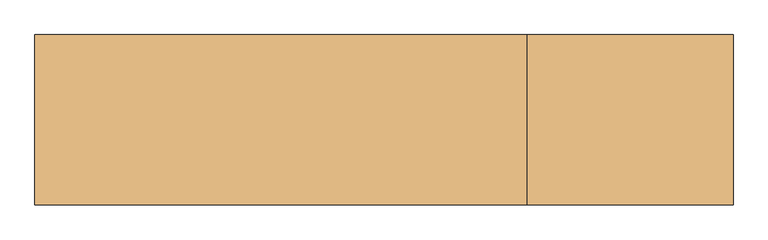
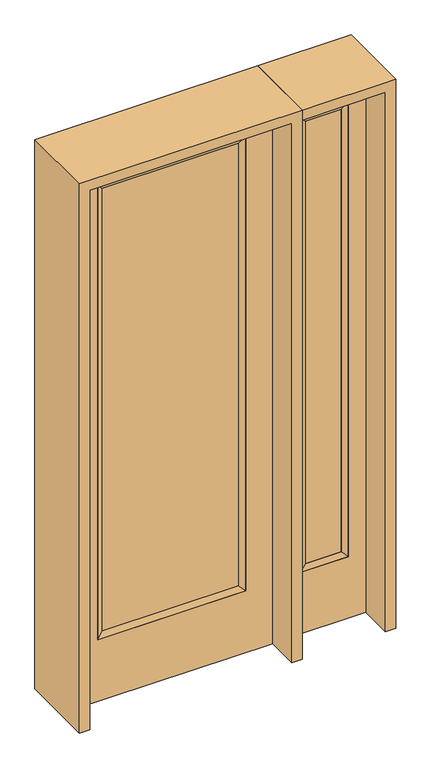
"""IFC4 building model written with IfcOpenShell, lengths in millimetres: door geometry."""

import ifcopenshell
import ifcopenshell.guid

model = None  # the IFC model being written
_history = None  # IfcOwnerHistory: only IFC2X3 demands one
_inside = {}  # id of a spatial element -> (the spatial element, [elements in it])
_under = {}  # id of a project, library or spatial element -> (it, [spatial elements below it])
_declared = {}  # id of a project -> (the project, [libraries it declares])
_typed = {}  # id of a type object -> (the type object, [elements of that type])
_made_of = {}  # id of a material, layer set ... -> (it, [elements and type objects made of it])


def new_model(schema):
    """Start an empty IFC model of exactly this schema.

    Asked for "IFC4X3", IfcOpenShell would pick the latest addendum, in which some entities
    have other attributes; the version numbers below select the first issue.
    IFC2X3 requires an IfcOwnerHistory on every rooted entity: one is made here for all.
    """
    global model, _history
    if schema == "IFC4X3":
        model = ifcopenshell.file(schema_version=(4, 3, 0, 0))
    else:
        model = ifcopenshell.file(schema=schema)
    _inside.clear()
    _under.clear()
    _declared.clear()
    _typed.clear()
    _made_of.clear()
    _history = None
    if model.schema == "IFC2X3":
        org = make("IfcOrganization", Name="unknown")
        user = make(
            "IfcPersonAndOrganization",
            ThePerson=make("IfcPerson", FamilyName="unknown"),
            TheOrganization=org,
        )
        app = make(
            "IfcApplication",
            ApplicationDeveloper=org,
            Version="unknown",
            ApplicationFullName="unknown",
            ApplicationIdentifier="unknown",
        )
        _history = make(
            "IfcOwnerHistory",
            OwningUser=user,
            OwningApplication=app,
            ChangeAction="ADDED",
            CreationDate=0,
        )
    return model


def make(cls, **values):
    """One entity of the class cls with the attributes given. An attribute that is None is left unset."""
    return model.create_entity(
        cls, **{name: value for name, value in values.items() if value is not None}
    )


def rooted(cls, **values):
    """An entity with a GlobalId (a new one), such as an element, a storey or a relation."""
    return make(cls, GlobalId=ifcopenshell.guid.new(), OwnerHistory=_history, **values)


def si_unit(unit_type, name, prefix=None):
    """IfcSIUnit, for example si_unit("LENGTHUNIT", "METRE", prefix="MILLI")."""
    return make("IfcSIUnit", UnitType=unit_type, Prefix=prefix, Name=name)


def assignment(units):
    """IfcUnitAssignment: the units of a project."""
    return None if units is None else make("IfcUnitAssignment", Units=units)


def point(xyz):
    """IfcCartesianPoint."""
    return None if xyz is None else make("IfcCartesianPoint", Coordinates=xyz)


def direction(xyz):
    """IfcDirection."""
    return None if xyz is None else make("IfcDirection", DirectionRatios=xyz)


def frame(location, z_axis=None, x_axis=None):
    """IfcAxis2Placement3D, a coordinate frame: its origin and axes. An axis left out is left unset."""
    return make(
        "IfcAxis2Placement3D",
        Location=point(location),
        Axis=direction(z_axis),
        RefDirection=direction(x_axis),
    )


def origin():
    """The frame at (0, 0, 0) with its axes left unset."""
    return frame((0.0, 0.0, 0.0))


def place(relative_to, where):
    """IfcLocalPlacement: puts the frame where relative to a parent placement (None: the world)."""
    return make(
        "IfcLocalPlacement", PlacementRelTo=relative_to, RelativePlacement=where
    )


def context(
    kind, dimensions, precision=None, world=None, true_north=None, identifier=None
):
    """IfcGeometricRepresentationContext, for example the 3D "Model" context."""
    return make(
        "IfcGeometricRepresentationContext",
        ContextIdentifier=identifier,
        ContextType=kind,
        CoordinateSpaceDimension=dimensions,
        Precision=precision,
        WorldCoordinateSystem=world,
        TrueNorth=true_north,
    )


def project(units=None, contexts=None):
    """IfcProject with its units and contexts."""
    return rooted(
        "IfcProject",
        Name="project",
        RepresentationContexts=contexts,
        UnitsInContext=assignment(units),
    )


def spatial(cls, under=None, at=None, **own):
    """A site, building, storey or space (cls), placed at a placement, below another one or the project."""
    s = rooted(cls, ObjectPlacement=at, **own)
    if under is not None:
        _under.setdefault(under.id(), (under, []))[1].append(s)
    return s


def polyline(points):
    """IfcPolyline through the points."""
    return make("IfcPolyline", Points=[point(p) for p in points])


def outline(outer, holes=None, kind="AREA"):
    """IfcArbitraryClosedProfileDef: a profile drawn as a closed curve; with holes, ...WithVoids."""
    if holes is None:
        return make("IfcArbitraryClosedProfileDef", ProfileType=kind, OuterCurve=outer)
    return make(
        "IfcArbitraryProfileDefWithVoids",
        ProfileType=kind,
        OuterCurve=outer,
        InnerCurves=holes,
    )


def extrude(swept, where, along, depth):
    """IfcExtrudedAreaSolid: the profile swept, set in the frame where, extruded along a direction by depth."""
    return make(
        "IfcExtrudedAreaSolid",
        SweptArea=swept,
        Position=where,
        ExtrudedDirection=direction(along),
        Depth=depth,
    )


def faces_of(points, faces, orient=None, outer=None):
    """IfcFace entities. A face is a list of loops; a loop is a list of indices into points, from 0.

    orient and outer hold one flag for each loop. By default every Orientation is true, the
    first loop of a face is its IfcFaceOuterBound and the others are IfcFaceBound.
    """
    made = []
    for i, loops in enumerate(faces):
        bounds = []
        for j, loop in enumerate(loops):
            is_outer = j == 0 if outer is None else outer[i][j]
            bounds.append(
                make(
                    "IfcFaceOuterBound" if is_outer else "IfcFaceBound",
                    Bound=make("IfcPolyLoop", Polygon=[points[k] for k in loop]),
                    Orientation=True if orient is None else orient[i][j],
                )
            )
        made.append(make("IfcFace", Bounds=bounds))
    return made


def faceted_brep(points, faces, orient=None, outer=None, voids=None):
    """IfcFacetedBrep: a solid bounded by flat faces; with voids (closed shells), ...WithVoids."""
    shared = [point(p) for p in points]
    hull = make("IfcClosedShell", CfsFaces=faces_of(shared, faces, orient, outer))
    if voids is None:
        return make("IfcFacetedBrep", Outer=hull)
    return make(
        "IfcFacetedBrepWithVoids",
        Outer=hull,
        Voids=[
            make(cls, CfsFaces=faces_of(shared, fs, o, b)) for cls, fs, o, b in voids
        ],
    )


def shape(context_of_items, identifier, shape_type, items):
    """IfcShapeRepresentation: the items that make up one representation, for example the "Body"."""
    return make(
        "IfcShapeRepresentation",
        ContextOfItems=context_of_items,
        RepresentationIdentifier=identifier,
        RepresentationType=shape_type,
        Items=items,
    )


def source(mapping_origin, context_of_items, identifier, shape_type, items):
    """IfcRepresentationMap: a shape defined once, which mapped items show again and again."""
    return make(
        "IfcRepresentationMap",
        MappingOrigin=mapping_origin,
        MappedRepresentation=shape(context_of_items, identifier, shape_type, items),
    )


def transform(
    local_origin,
    x_axis=None,
    y_axis=None,
    z_axis=None,
    scale=None,
    scale2=None,
    scale3=None,
    uniform=True,
):
    """IfcCartesianTransformationOperator3D, or its non-uniform kind. x_axis, y_axis, z_axis: its Axis1, 2, 3."""
    if uniform:
        return make(
            "IfcCartesianTransformationOperator3D",
            Axis1=direction(x_axis),
            Axis2=direction(y_axis),
            LocalOrigin=point(local_origin),
            Scale=scale,
            Axis3=direction(z_axis),
        )
    return make(
        "IfcCartesianTransformationOperator3DnonUniform",
        Axis1=direction(x_axis),
        Axis2=direction(y_axis),
        LocalOrigin=point(local_origin),
        Scale=scale,
        Axis3=direction(z_axis),
        Scale2=scale2,
        Scale3=scale3,
    )


def mapped(mapping_source, mapping_target):
    """IfcMappedItem: shows the shape of a source again, moved by a transform."""
    return make(
        "IfcMappedItem", MappingSource=mapping_source, MappingTarget=mapping_target
    )


def made_of(thing, what):
    """Note that an element or type object is made of a material, layer set ...; save() writes the relation."""
    if what is not None:
        _made_of.setdefault(what.id(), (what, []))[1].append(thing)
    return thing


def element(
    cls,
    number,
    at=None,
    inside=None,
    cuts=None,
    type_object=None,
    material=None,
    context=None,
    identifier="Body",
    shape_type=None,
    held_by="IfcProductDefinitionShape",
    body=None,
    shapes=None,
    **own,
):
    """One element of the class cls, such as IfcWall. Its Tag is "e" and its number.

    at: its placement. inside: the storey or other place that contains it. cuts: it is an
    opening in that element (IfcRelVoidsElement). A single representation is given by context,
    identifier, shape_type and body (its items); several are given by shapes. held_by: the class
    of the entity that holds the representations. save() writes the other relations.
    """
    e = rooted(cls, Tag="e%d" % number, ObjectPlacement=at, **own)
    if body is not None:
        shapes = [shape(context, identifier, shape_type, body)]
    if shapes is not None:
        e.Representation = make(held_by, Representations=shapes)
    if inside is not None:
        _inside.setdefault(inside.id(), (inside, []))[1].append(e)
    if cuts is not None:
        rooted(
            "IfcRelVoidsElement", RelatingBuildingElement=cuts, RelatedOpeningElement=e
        )
    if type_object is not None:
        _typed.setdefault(type_object.id(), (type_object, []))[1].append(e)
    return made_of(e, material)


def aggregate(whole, parts):
    """IfcRelAggregates: a whole, such as a stair, and the parts it consists of."""
    return rooted("IfcRelAggregates", RelatingObject=whole, RelatedObjects=parts)


def save(model, path):
    """Write the relations noted so far, then the file.

    IfcRelAggregates (storeys below a building ...), IfcRelContainedInSpatialStructure (elements
    in a storey), IfcRelDefinesByType, IfcRelAssociatesMaterial and IfcRelDeclares: one each for
    every whole, place, type object, material and project.
    """
    for whole, parts in _under.values():
        aggregate(whole, parts)
    for where, things in _inside.values():
        rooted(
            "IfcRelContainedInSpatialStructure",
            RelatedElements=things,
            RelatingStructure=where,
        )
    for kind, things in _typed.values():
        rooted("IfcRelDefinesByType", RelatedObjects=things, RelatingType=kind)
    for what, things in _made_of.values():
        rooted("IfcRelAssociatesMaterial", RelatedObjects=things, RelatingMaterial=what)
    for by, libraries in _declared.values():
        rooted("IfcRelDeclares", RelatingContext=by, RelatedDefinitions=libraries)
    model.write(path)


def door_d834abfd(model_context):
    return source(origin(), model_context, "Body", "SolidModel", [
        extrude(outline(polyline([(290.9824, -12.7039749), (-290.9824, -12.7039749), (-290.9824, 14.2875), (290.9824, 14.2875), (290.9824, -12.7039749)])), frame((0.0, 0.0, 304.8), z_axis=(0.0, 0.0, 1.0), x_axis=(1.0, 0.0, 0.0)), (0.0, 0.0, 1.0), 2000.25),
        faceted_brep([(290.9824, 14.2875, 2305.05), (316.3824, 22.225, 2330.45), (316.3824, 22.225, 279.4), (290.9824, 14.2875, 304.8), (316.3824, -22.225, 2330.45), (316.3824, -22.225, 279.4), (-316.3824, 22.225, 279.4), (-290.9824, 14.2875, 304.8), (290.9824, -12.7039749, 2305.05), (290.9824, -12.7039749, 304.8), (-290.9824, -12.7039749, 304.8), (-316.3824, -22.225, 279.4), (-316.3824, 22.225, 2330.45), (-290.9824, 14.2875, 2305.05), (-290.9824, -12.7039749, 2305.05), (-316.3824, -22.225, 2330.45)], [[[0, 1, 2, 3]], [[1, 4, 5, 2]], [[3, 2, 6, 7]], [[8, 0, 3, 9]], [[9, 3, 7, 10]], [[4, 8, 9, 5]], [[5, 9, 10, 11]], [[2, 5, 11, 6]], [[7, 6, 12, 13]], [[10, 7, 13, 14]], [[11, 10, 14, 15]], [[6, 11, 15, 12]], [[13, 12, 1, 0]], [[14, 13, 0, 8]], [[15, 14, 8, 4]], [[12, 15, 4, 1]]]),
        extrude(outline(polyline([(0.0, -431.8), (0.0, 431.8), (2438.4, 431.8), (2438.4, -431.8), (0.0, -431.8)]), holes=[polyline([(279.4, -316.3824), (2330.45, -316.3824), (2330.45, 316.3824), (279.4, 316.3824), (279.4, -316.3824)])]), frame((0.0, -22.225, 0.0), z_axis=(0.0, 1.0, 0.0), x_axis=(0.0, 0.0, 1.0)), (0.0, 0.0, 1.0), 44.45),
        faceted_brep([(552.45, 20.6375, 2330.45), (552.45, 20.6375, 279.4), (552.45, -20.6375, 279.4), (552.45, -20.6375, 2330.45), (577.85, -12.7, 304.8), (577.85, -12.7, 2305.05), (755.65, 20.6375, 279.4), (755.65, -20.6375, 279.4), (577.85, 12.7, 2305.05), (577.85, 12.7, 304.8), (730.25, 12.7, 304.8), (730.25, -12.7, 304.8), (755.65, 20.6375, 2330.45), (755.65, -20.6375, 2330.45), (730.25, 12.7, 2305.05), (730.25, -12.7, 2305.05)], [[[0, 1, 2, 3]], [[3, 2, 4, 5]], [[1, 6, 7, 2]], [[8, 9, 1, 0]], [[9, 10, 6, 1]], [[5, 4, 9, 8]], [[4, 11, 10, 9]], [[2, 7, 11, 4]], [[6, 12, 13, 7]], [[10, 14, 12, 6]], [[11, 15, 14, 10]], [[7, 13, 15, 11]], [[12, 0, 3, 13]], [[14, 8, 0, 12]], [[15, 5, 8, 14]], [[13, 3, 5, 15]]]),
        extrude(outline(polyline([(0.0, 831.85), (2438.4, 831.85), (2438.4, 476.25), (0.0, 476.25), (0.0, 831.85)]), holes=[polyline([(2330.45, 552.45), (2330.45, 755.65), (279.4, 755.65), (279.4, 552.45), (2330.45, 552.45)])]), frame((0.0, -20.6375, 0.0), z_axis=(0.0, 1.0, 0.0), x_axis=(0.0, 0.0, 1.0)), (0.0, 0.0, 1.0), 41.275),
        extrude(outline(polyline([(577.85, -12.7), (577.85, 12.7), (730.25, 12.7), (730.25, -12.7), (577.85, -12.7)])), frame((0.0, 0.0, 301.625), z_axis=(0.0, 0.0, 1.0), x_axis=(1.0, 0.0, 0.0)), (0.0, 0.0, 1.0), 2003.425),
        extrude(outline(polyline([(2482.85, -476.25), (0.0, -476.25), (0.0, -431.8), (2438.4, -431.8), (2438.4, 431.8), (0.0, 431.8), (0.0, 476.25), (2482.85, 476.25), (2482.85, -476.25)])), frame((0.0, -165.1, 0.0), z_axis=(0.0, 1.0, 0.0), x_axis=(0.0, 0.0, 1.0)), (0.0, 0.0, 1.0), 330.2),
        extrude(outline(polyline([(0.0, 831.85), (0.0, 876.3), (2482.85, 876.3), (2482.85, 476.25), (2438.4, 476.25), (2438.4, 831.85), (0.0, 831.85)])), frame((0.0, -165.1, 0.0), z_axis=(0.0, 1.0, 0.0), x_axis=(0.0, 0.0, 1.0)), (0.0, 0.0, 1.0), 330.2),
    ])


if __name__ == "__main__":
    model = new_model("IFC4")
    model_context = context("Model", 3, world=origin())
    ifc_project = project(units=[si_unit("LENGTHUNIT", "METRE", prefix="MILLI")], contexts=[model_context])
    site = spatial("IfcSite", under=ifc_project)
    building = spatial("IfcBuilding", under=site)
    placement = place(None, origin())
    door_shape = door_d834abfd(model_context)
    element("IfcDoor", 1, at=placement, inside=building, context=model_context, shape_type="MappedRepresentation", body=[
        mapped(door_shape, transform((0.0, 0.0, 0.0), x_axis=(1.0, 0.0, 0.0), y_axis=(0.0, 1.0, 0.0), z_axis=(0.0, 0.0, 1.0))),
    ])
    save(model, "model.ifc")
